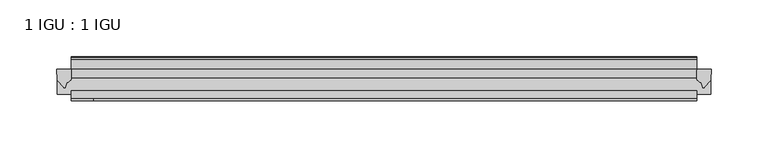
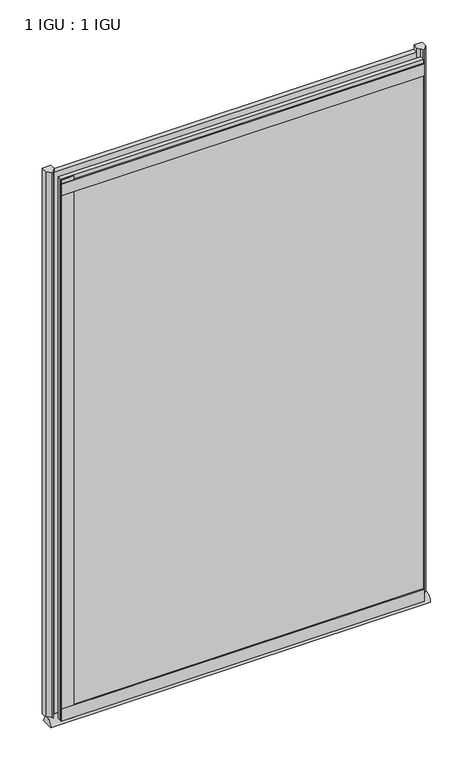
"""IFC4 building model written with IfcOpenShell, lengths in millimetres: plate geometry, 1 IGU : 1 IGU."""

from ifc_helpers import new_model, si_unit, point, frame, frame_2d, origin, place, context, project, spatial, polyline, circle_curve, ellipse_curve, trimmed, segment, composite_curve, outline, extrude, source, transform, mapped, element, save
from ifc_brep_helpers import plane_surface, extruded_surface, advanced_brep


def plate_1_igu_1_igu_649b9976(model_context):
    return source(origin(), model_context, "Body", "SolidModel", [
        extrude(outline(polyline([(243.854271, -11.6085937), (243.854271, -18.8576359), (-307.9495835, -18.8576359), (-307.9495835, -11.6085937), (243.854271, -11.6085937)])), frame((0.0, 0.0, -19.05), z_axis=(0.0, 0.0, 1.0), x_axis=(1.0, 0.0, 0.0)), (0.0, 0.0, 1.0), 869.9409101),
        extrude(outline(polyline([(-307.9495835, -30.7093937), (243.854271, -30.7093937), (243.854271, -37.0085937), (-307.9495835, -37.0085937), (-307.9495835, -30.7093937)])), frame((0.0, 0.0, -19.05), z_axis=(0.0, 0.0, 1.0), x_axis=(1.0, 0.0, 0.0)), (0.0, 0.0, 1.0), 869.9409101),
        advanced_brep(
        [(256.554271, -33.6472189, -28.575), (256.554271, -14.9699686, -28.575), (-320.6495835, -33.6472189, -28.575), (-320.6495835, -14.9699686, -28.575)],
        [
            (0, 1),
            (1, 0, ellipse_curve(frame((256.554271, -24.3085937, -28.575), z_axis=(1.0, 0.0, 0.0), x_axis=(0.0, 0.0, 1.0)), 10.6973372, 9.3386252)),
            (2, 3, ellipse_curve(frame((-320.6495835, -24.3085937, -28.575), z_axis=(-1.0, 0.0, 0.0), x_axis=(0.0, 0.0, 1.0)), 10.6973372, 9.3386252)),
            (3, 2),
            (0, 2),
            (3, 1),
        ],
        [
            plane_surface(frame((256.554271, -9.2273438, -28.575), z_axis=(1.0, 0.0, 0.0), x_axis=(0.0, 1.0, 0.0))),
            plane_surface(frame((-320.6495835, -9.2273437, -28.575), z_axis=(-1.0, 0.0, 0.0), x_axis=(0.0, 1.0, 0.0))),
            plane_surface(frame((256.554271, -33.6472189, -28.575), z_axis=(0.0, 0.0, -1.0), x_axis=(-1.0, 0.0, 0.0))),
            extruded_surface(trimmed(ellipse_curve(frame((-320.6495835, -24.3085937, -28.575), z_axis=(1.0, 0.0, 0.0), x_axis=(0.0, 0.0, 1.0)), 10.6973372, 9.3386252), [point((-320.6495835, -14.9699686, -28.575))], [point((-320.6495835, -33.6472189, -28.575))], True, "CARTESIAN"), (577.2038545, 0.0, 0.0), 577.2038545),
        ],
        [
            (0, [[1, 2]]),
            (1, [[3, 4]]),
            (2, [[-1, 5, -4, 6]]),
            (3, [[-2, -6, -3, -5]]),
        ],
    ),
        extrude(outline(composite_curve([segment(polyline([(256.9321801, -11.6101465), (256.554271, -21.3502133), (250.6162177, -27.6095865)]), True, "CONTINUOUS"), segment(trimmed(circle_curve(frame_2d((249.9434116, -27.2518492)), 0.762), [point((250.6162177, -27.6095865))], [point((249.2147074, -27.4746364))], False, "CARTESIAN"), True, "CONTINUOUS"), segment(polyline([(249.2147074, -27.4746364), (247.9528729, -23.3488397)]), True, "CONTINUOUS"), segment(trimmed(circle_curve(frame_2d((250.13483, -16.3834724)), 7.2991286), [point((247.9528729, -23.3488397))], [point((243.8544496, -20.1028944))], False, "CARTESIAN"), True, "CONTINUOUS"), segment(polyline([(243.8544496, -20.1028944), (243.8544496, -12.664425)]), True, "CONTINUOUS"), segment(trimmed(circle_curve(frame_2d((250.1357041, -16.3827796)), 7.2993369), [point((243.8544496, -12.664425))], [point((244.612816, -11.6101465))], False, "CARTESIAN"), True, "CONTINUOUS"), segment(polyline([(244.612816, -11.6101465), (256.9321801, -11.6101465)]), True, "CONTINUOUS")], self_intersect=False)), frame((0.0, 0.0, -19.05), z_axis=(0.0, 0.0, 1.0), x_axis=(1.0, 0.0, 0.0)), (0.0, 0.0, 1.0), 877.0783101),
        extrude(outline(composite_curve([segment(polyline([(-307.9495835, -11.610702), (-307.9495835, -20.1014769)]), True, "CONTINUOUS"), segment(trimmed(circle_curve(frame_2d((-314.2307778, -16.3829847)), 7.2993552), [point((-307.9495835, -20.1014769))], [point((-312.0485332, -23.3484994))], False, "CARTESIAN"), True, "CONTINUOUS"), segment(polyline([(-312.0485332, -23.3484994), (-313.3100199, -27.4746364)]), True, "CONTINUOUS"), segment(trimmed(circle_curve(frame_2d((-314.0387241, -27.2518492)), 0.762), [point((-313.3100199, -27.4746364))], [point((-314.7115302, -27.6095865))], False, "CARTESIAN"), True, "CONTINUOUS"), segment(polyline([(-314.7115302, -27.6095865), (-320.6495835, -21.3502133), (-321.0274926, -11.610702), (-307.9495835, -11.610702)]), True, "CONTINUOUS")], self_intersect=False)), frame((0.0, 0.0, -19.05), z_axis=(0.0, 0.0, 1.0), x_axis=(1.0, 0.0, 0.0)), (0.0, 0.0, 1.0), 877.0783101),
        extrude(outline(polyline([(-307.9495835, -39.2945937), (-307.9495835, -37.0085937), (243.854271, -37.0085937), (243.854271, -39.2945937), (-307.9495835, -39.2945937)])), frame((0.0, 0.0, -19.05), z_axis=(0.0, 0.0, 1.0), x_axis=(1.0, 0.0, 0.0)), (0.0, 0.0, 1.0), 19.05),
        extrude(outline(composite_curve([segment(polyline([(-3.0995937, 840.8103314), (-3.0995937, 838.7783314), (-5.2585937, 838.7783314), (-5.2585937, 833.4443314), (-1.5755937, 833.4443314), (-1.5755937, 830.3963314), (-5.2585937, 830.3963314), (-5.2585937, 825.5703314), (-0.5298657, 826.2349108), (-0.4061408, 825.3545625)]), True, "CONTINUOUS"), segment(trimmed(circle_curve(frame_2d((-1.4122531, 825.2131626)), 1.016), [point((-0.4061408, 825.3545625))], [point((-1.2708533, 824.2070502))], False, "CARTESIAN"), True, "CONTINUOUS"), segment(polyline([(-1.2708533, 824.2070502), (-11.6085937, 822.7541756), (-11.6085937, 840.8103314), (-3.0995937, 840.8103314)]), True, "CONTINUOUS")], self_intersect=False)), frame((-307.9495835, 0.0, 0.0), z_axis=(1.0, 0.0, 0.0), x_axis=(0.0, 1.0, 0.0)), (0.0, 0.0, 1.0), 551.8038545),
        extrude(outline(polyline([(-307.9495835, -39.2945937), (-307.9495835, -37.0085937), (243.854271, -37.0085937), (243.854271, -39.2945937), (-307.9495835, -39.2945937)])), frame((0.0, 0.0, 825.4909101), z_axis=(0.0, 0.0, 1.0), x_axis=(1.0, 0.0, 0.0)), (0.0, 0.0, 1.0), 19.05),
        extrude(outline(polyline([(-307.9495835, -39.2945937), (-307.9495835, -37.0085937), (-288.8995835, -37.0085937), (-288.8995835, -39.2945937), (-307.9495835, -39.2945937)])), frame((0.0, 0.0, -19.05), z_axis=(0.0, 0.0, 1.0), x_axis=(1.0, 0.0, 0.0)), (0.0, 0.0, 1.0), 869.9409101),
    ])


if __name__ == "__main__":
    model = new_model("IFC4")
    model_context = context("Model", 3, world=origin())
    ifc_project = project(units=[si_unit("LENGTHUNIT", "METRE", prefix="MILLI")], contexts=[model_context])
    site = spatial("IfcSite", under=ifc_project)
    building = spatial("IfcBuilding", under=site)
    placement = place(None, origin())
    plate_1_igu_1_igu_shape = plate_1_igu_1_igu_649b9976(model_context)
    element("IfcPlate", 1, ObjectType="1 IGU : 1 IGU", at=placement, inside=building, context=model_context, shape_type="MappedRepresentation", body=[
        mapped(plate_1_igu_1_igu_shape, transform((0.0, 0.0, 0.0), x_axis=(1.0, 0.0, 0.0), y_axis=(0.0, 1.0, 0.0), z_axis=(0.0, 0.0, 1.0))),
    ])
    save(model, "model.ifc")
